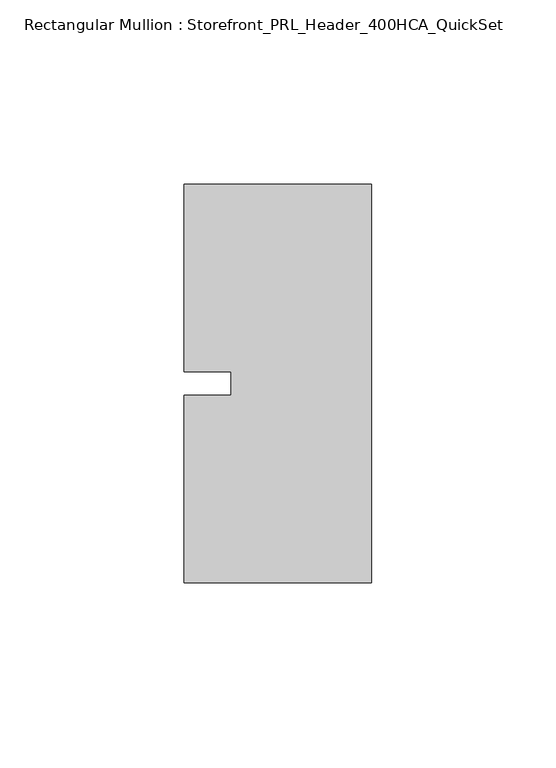
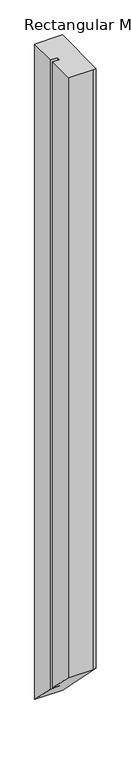
"""IFC4 building model written with IfcOpenShell, lengths in millimetres: member geometry, Rectangular Mullion : Storefront_PRL_Header_400HCA_QuickSet."""

import ifcopenshell
import ifcopenshell.guid

model = None  # the IFC model being written
_history = None  # IfcOwnerHistory: only IFC2X3 demands one
_inside = {}  # id of a spatial element -> (the spatial element, [elements in it])
_under = {}  # id of a project, library or spatial element -> (it, [spatial elements below it])
_declared = {}  # id of a project -> (the project, [libraries it declares])
_typed = {}  # id of a type object -> (the type object, [elements of that type])
_made_of = {}  # id of a material, layer set ... -> (it, [elements and type objects made of it])


def new_model(schema):
    """Start an empty IFC model of exactly this schema.

    Asked for "IFC4X3", IfcOpenShell would pick the latest addendum, in which some entities
    have other attributes; the version numbers below select the first issue.
    IFC2X3 requires an IfcOwnerHistory on every rooted entity: one is made here for all.
    """
    global model, _history
    if schema == "IFC4X3":
        model = ifcopenshell.file(schema_version=(4, 3, 0, 0))
    else:
        model = ifcopenshell.file(schema=schema)
    _inside.clear()
    _under.clear()
    _declared.clear()
    _typed.clear()
    _made_of.clear()
    _history = None
    if model.schema == "IFC2X3":
        org = make("IfcOrganization", Name="unknown")
        user = make(
            "IfcPersonAndOrganization",
            ThePerson=make("IfcPerson", FamilyName="unknown"),
            TheOrganization=org,
        )
        app = make(
            "IfcApplication",
            ApplicationDeveloper=org,
            Version="unknown",
            ApplicationFullName="unknown",
            ApplicationIdentifier="unknown",
        )
        _history = make(
            "IfcOwnerHistory",
            OwningUser=user,
            OwningApplication=app,
            ChangeAction="ADDED",
            CreationDate=0,
        )
    return model


def make(cls, **values):
    """One entity of the class cls with the attributes given. An attribute that is None is left unset."""
    return model.create_entity(
        cls, **{name: value for name, value in values.items() if value is not None}
    )


def rooted(cls, **values):
    """An entity with a GlobalId (a new one), such as an element, a storey or a relation."""
    return make(cls, GlobalId=ifcopenshell.guid.new(), OwnerHistory=_history, **values)


def si_unit(unit_type, name, prefix=None):
    """IfcSIUnit, for example si_unit("LENGTHUNIT", "METRE", prefix="MILLI")."""
    return make("IfcSIUnit", UnitType=unit_type, Prefix=prefix, Name=name)


def assignment(units):
    """IfcUnitAssignment: the units of a project."""
    return None if units is None else make("IfcUnitAssignment", Units=units)


def point(xyz):
    """IfcCartesianPoint."""
    return None if xyz is None else make("IfcCartesianPoint", Coordinates=xyz)


def direction(xyz):
    """IfcDirection."""
    return None if xyz is None else make("IfcDirection", DirectionRatios=xyz)


def frame(location, z_axis=None, x_axis=None):
    """IfcAxis2Placement3D, a coordinate frame: its origin and axes. An axis left out is left unset."""
    return make(
        "IfcAxis2Placement3D",
        Location=point(location),
        Axis=direction(z_axis),
        RefDirection=direction(x_axis),
    )


def origin():
    """The frame at (0, 0, 0) with its axes left unset."""
    return frame((0.0, 0.0, 0.0))


def place(relative_to, where):
    """IfcLocalPlacement: puts the frame where relative to a parent placement (None: the world)."""
    return make(
        "IfcLocalPlacement", PlacementRelTo=relative_to, RelativePlacement=where
    )


def context(
    kind, dimensions, precision=None, world=None, true_north=None, identifier=None
):
    """IfcGeometricRepresentationContext, for example the 3D "Model" context."""
    return make(
        "IfcGeometricRepresentationContext",
        ContextIdentifier=identifier,
        ContextType=kind,
        CoordinateSpaceDimension=dimensions,
        Precision=precision,
        WorldCoordinateSystem=world,
        TrueNorth=true_north,
    )


def project(units=None, contexts=None):
    """IfcProject with its units and contexts."""
    return rooted(
        "IfcProject",
        Name="project",
        RepresentationContexts=contexts,
        UnitsInContext=assignment(units),
    )


def spatial(cls, under=None, at=None, **own):
    """A site, building, storey or space (cls), placed at a placement, below another one or the project."""
    s = rooted(cls, ObjectPlacement=at, **own)
    if under is not None:
        _under.setdefault(under.id(), (under, []))[1].append(s)
    return s


def faces_of(points, faces, orient=None, outer=None):
    """IfcFace entities. A face is a list of loops; a loop is a list of indices into points, from 0.

    orient and outer hold one flag for each loop. By default every Orientation is true, the
    first loop of a face is its IfcFaceOuterBound and the others are IfcFaceBound.
    """
    made = []
    for i, loops in enumerate(faces):
        bounds = []
        for j, loop in enumerate(loops):
            is_outer = j == 0 if outer is None else outer[i][j]
            bounds.append(
                make(
                    "IfcFaceOuterBound" if is_outer else "IfcFaceBound",
                    Bound=make("IfcPolyLoop", Polygon=[points[k] for k in loop]),
                    Orientation=True if orient is None else orient[i][j],
                )
            )
        made.append(make("IfcFace", Bounds=bounds))
    return made


def faceted_brep(points, faces, orient=None, outer=None, voids=None):
    """IfcFacetedBrep: a solid bounded by flat faces; with voids (closed shells), ...WithVoids."""
    shared = [point(p) for p in points]
    hull = make("IfcClosedShell", CfsFaces=faces_of(shared, faces, orient, outer))
    if voids is None:
        return make("IfcFacetedBrep", Outer=hull)
    return make(
        "IfcFacetedBrepWithVoids",
        Outer=hull,
        Voids=[
            make(cls, CfsFaces=faces_of(shared, fs, o, b)) for cls, fs, o, b in voids
        ],
    )


def shape(context_of_items, identifier, shape_type, items):
    """IfcShapeRepresentation: the items that make up one representation, for example the "Body"."""
    return make(
        "IfcShapeRepresentation",
        ContextOfItems=context_of_items,
        RepresentationIdentifier=identifier,
        RepresentationType=shape_type,
        Items=items,
    )


def source(mapping_origin, context_of_items, identifier, shape_type, items):
    """IfcRepresentationMap: a shape defined once, which mapped items show again and again."""
    return make(
        "IfcRepresentationMap",
        MappingOrigin=mapping_origin,
        MappedRepresentation=shape(context_of_items, identifier, shape_type, items),
    )


def transform(
    local_origin,
    x_axis=None,
    y_axis=None,
    z_axis=None,
    scale=None,
    scale2=None,
    scale3=None,
    uniform=True,
):
    """IfcCartesianTransformationOperator3D, or its non-uniform kind. x_axis, y_axis, z_axis: its Axis1, 2, 3."""
    if uniform:
        return make(
            "IfcCartesianTransformationOperator3D",
            Axis1=direction(x_axis),
            Axis2=direction(y_axis),
            LocalOrigin=point(local_origin),
            Scale=scale,
            Axis3=direction(z_axis),
        )
    return make(
        "IfcCartesianTransformationOperator3DnonUniform",
        Axis1=direction(x_axis),
        Axis2=direction(y_axis),
        LocalOrigin=point(local_origin),
        Scale=scale,
        Axis3=direction(z_axis),
        Scale2=scale2,
        Scale3=scale3,
    )


def mapped(mapping_source, mapping_target):
    """IfcMappedItem: shows the shape of a source again, moved by a transform."""
    return make(
        "IfcMappedItem", MappingSource=mapping_source, MappingTarget=mapping_target
    )


def made_of(thing, what):
    """Note that an element or type object is made of a material, layer set ...; save() writes the relation."""
    if what is not None:
        _made_of.setdefault(what.id(), (what, []))[1].append(thing)
    return thing


def element(
    cls,
    number,
    at=None,
    inside=None,
    cuts=None,
    type_object=None,
    material=None,
    context=None,
    identifier="Body",
    shape_type=None,
    held_by="IfcProductDefinitionShape",
    body=None,
    shapes=None,
    **own,
):
    """One element of the class cls, such as IfcWall. Its Tag is "e" and its number.

    at: its placement. inside: the storey or other place that contains it. cuts: it is an
    opening in that element (IfcRelVoidsElement). A single representation is given by context,
    identifier, shape_type and body (its items); several are given by shapes. held_by: the class
    of the entity that holds the representations. save() writes the other relations.
    """
    e = rooted(cls, Tag="e%d" % number, ObjectPlacement=at, **own)
    if body is not None:
        shapes = [shape(context, identifier, shape_type, body)]
    if shapes is not None:
        e.Representation = make(held_by, Representations=shapes)
    if inside is not None:
        _inside.setdefault(inside.id(), (inside, []))[1].append(e)
    if cuts is not None:
        rooted(
            "IfcRelVoidsElement", RelatingBuildingElement=cuts, RelatedOpeningElement=e
        )
    if type_object is not None:
        _typed.setdefault(type_object.id(), (type_object, []))[1].append(e)
    return made_of(e, material)


def aggregate(whole, parts):
    """IfcRelAggregates: a whole, such as a stair, and the parts it consists of."""
    return rooted("IfcRelAggregates", RelatingObject=whole, RelatedObjects=parts)


def save(model, path):
    """Write the relations noted so far, then the file.

    IfcRelAggregates (storeys below a building ...), IfcRelContainedInSpatialStructure (elements
    in a storey), IfcRelDefinesByType, IfcRelAssociatesMaterial and IfcRelDeclares: one each for
    every whole, place, type object, material and project.
    """
    for whole, parts in _under.values():
        aggregate(whole, parts)
    for where, things in _inside.values():
        rooted(
            "IfcRelContainedInSpatialStructure",
            RelatedElements=things,
            RelatingStructure=where,
        )
    for kind, things in _typed.values():
        rooted("IfcRelDefinesByType", RelatedObjects=things, RelatingType=kind)
    for what, things in _made_of.values():
        rooted("IfcRelAssociatesMaterial", RelatedObjects=things, RelatingMaterial=what)
    for by, libraries in _declared.values():
        rooted("IfcRelDeclares", RelatingContext=by, RelatedDefinitions=libraries)
    model.write(path)


def rectangular_mullion_storefront_prl_header_400hca_quickset_0d727ee3(model_context):
    return source(origin(), model_context, "Body", "Brep", [
        faceted_brep([(-38.1, -3.175, 0.0), (-50.8, -3.175, 0.0), (-50.8, -53.975, 0.0), (-6.35, -53.975, 0.0), (0.0, -53.975, 0.0), (0.0, 53.975, 0.0), (-7.7254924, 53.975, 0.0), (-50.8, 53.975, 0.0), (-50.8, 3.175, 0.0), (-38.1, 3.175, 0.0), (-38.1, -3.175, -1216.025), (-50.8, -3.175, -1216.025), (-50.8, -53.975, -1165.225), (-6.35, -53.975, -1165.225), (0.0, -53.975, -1165.225), (0.0, 53.975, -1273.175), (-7.7254924, 53.975, -1273.175), (-50.8, 53.975, -1273.175), (-50.8, 3.175, -1222.375), (-38.1, 3.175, -1222.375)], [[[0, 1, 2, 3, 4, 5, 6, 7, 8, 9]], [[1, 0, 10, 11]], [[2, 1, 11, 12]], [[3, 2, 12, 13]], [[4, 3, 13, 14]], [[5, 4, 14, 15]], [[6, 5, 15, 16]], [[7, 6, 16, 17]], [[8, 7, 17, 18]], [[9, 8, 18, 19]], [[0, 9, 19, 10]], [[10, 19, 18, 17, 16, 15, 14, 13, 12, 11]]]),
    ])


if __name__ == "__main__":
    model = new_model("IFC4")
    model_context = context("Model", 3, world=origin())
    ifc_project = project(units=[si_unit("LENGTHUNIT", "METRE", prefix="MILLI")], contexts=[model_context])
    site = spatial("IfcSite", under=ifc_project)
    building = spatial("IfcBuilding", under=site)
    placement = place(None, origin())
    rectangular_mullion_storefront_prl_header_400hca_quickset_shape = rectangular_mullion_storefront_prl_header_400hca_quickset_0d727ee3(model_context)
    element("IfcMember", 1, ObjectType="Rectangular Mullion : Storefront_PRL_Header_400HCA_QuickSet", at=placement, inside=building, context=model_context, shape_type="MappedRepresentation", body=[
        mapped(rectangular_mullion_storefront_prl_header_400hca_quickset_shape, transform((0.0, 0.0, 0.0), x_axis=(1.0, 0.0, 0.0), y_axis=(0.0, 1.0, 0.0), z_axis=(0.0, 0.0, 1.0))),
    ])
    save(model, "model.ifc")
